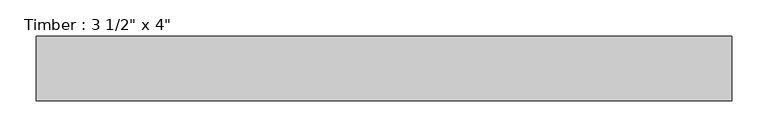
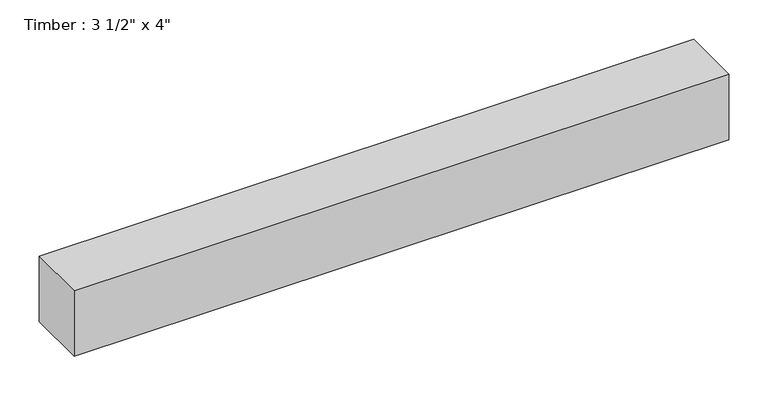
"""IFC4 building model written with IfcOpenShell, lengths in millimetres: beam geometry."""

from ifc_helpers import new_model, si_unit, frame, origin, place, context, project, spatial, polyline, outline, extrude, source, transform, mapped, element, save


def beam_272ac0e7(model_context):
    return source(origin(), model_context, "Body", "SweptSolid", [
        extrude(outline(polyline([(480.1521665, 44.45), (480.1521665, -44.45), (-480.1521665, -44.45), (-480.1521665, 44.45), (480.1521665, 44.45)])), frame((0.0, 0.0, -50.8), z_axis=(0.0, 0.0, 1.0), x_axis=(1.0, 0.0, 0.0)), (0.0, 0.0, 1.0), 101.6),
    ])


if __name__ == "__main__":
    model = new_model("IFC4")
    model_context = context("Model", 3, world=origin())
    ifc_project = project(units=[si_unit("LENGTHUNIT", "METRE", prefix="MILLI")], contexts=[model_context])
    site = spatial("IfcSite", under=ifc_project)
    building = spatial("IfcBuilding", under=site)
    placement = place(None, origin())
    beam_shape = beam_272ac0e7(model_context)
    element("IfcBeam", 1, ObjectType="Timber : 3 1/2\" x 4\"", at=placement, inside=building, context=model_context, shape_type="MappedRepresentation", body=[
        mapped(beam_shape, transform((0.0, 0.0, 0.0), x_axis=(1.0, 0.0, 0.0), y_axis=(0.0, 1.0, 0.0), z_axis=(0.0, 0.0, 1.0))),
    ])
    save(model, "model.ifc")
